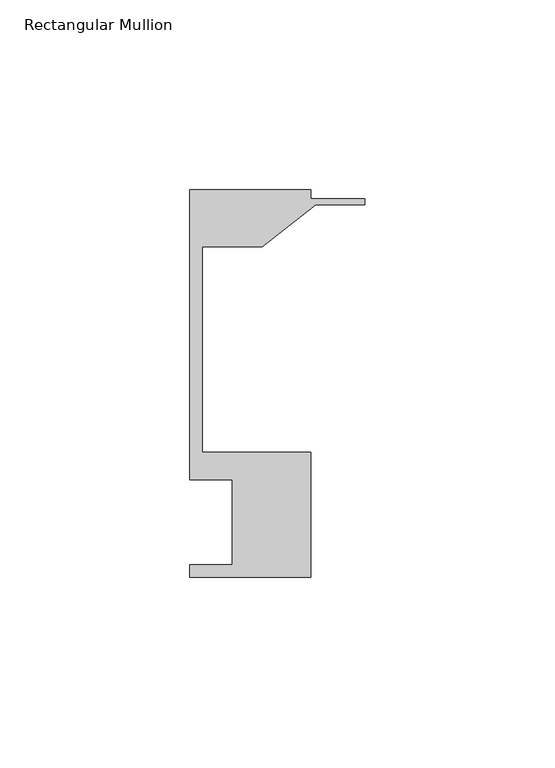
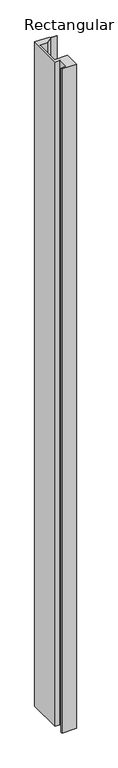
"""IFC4 building model written with IfcOpenShell, lengths in millimetres: member geometry, Rectangular Mullion."""

import ifcopenshell
import ifcopenshell.guid

model = None  # the IFC model being written
_history = None  # IfcOwnerHistory: only IFC2X3 demands one
_inside = {}  # id of a spatial element -> (the spatial element, [elements in it])
_under = {}  # id of a project, library or spatial element -> (it, [spatial elements below it])
_declared = {}  # id of a project -> (the project, [libraries it declares])
_typed = {}  # id of a type object -> (the type object, [elements of that type])
_made_of = {}  # id of a material, layer set ... -> (it, [elements and type objects made of it])


def new_model(schema):
    """Start an empty IFC model of exactly this schema.

    Asked for "IFC4X3", IfcOpenShell would pick the latest addendum, in which some entities
    have other attributes; the version numbers below select the first issue.
    IFC2X3 requires an IfcOwnerHistory on every rooted entity: one is made here for all.
    """
    global model, _history
    if schema == "IFC4X3":
        model = ifcopenshell.file(schema_version=(4, 3, 0, 0))
    else:
        model = ifcopenshell.file(schema=schema)
    _inside.clear()
    _under.clear()
    _declared.clear()
    _typed.clear()
    _made_of.clear()
    _history = None
    if model.schema == "IFC2X3":
        org = make("IfcOrganization", Name="unknown")
        user = make(
            "IfcPersonAndOrganization",
            ThePerson=make("IfcPerson", FamilyName="unknown"),
            TheOrganization=org,
        )
        app = make(
            "IfcApplication",
            ApplicationDeveloper=org,
            Version="unknown",
            ApplicationFullName="unknown",
            ApplicationIdentifier="unknown",
        )
        _history = make(
            "IfcOwnerHistory",
            OwningUser=user,
            OwningApplication=app,
            ChangeAction="ADDED",
            CreationDate=0,
        )
    return model


def make(cls, **values):
    """One entity of the class cls with the attributes given. An attribute that is None is left unset."""
    return model.create_entity(
        cls, **{name: value for name, value in values.items() if value is not None}
    )


def rooted(cls, **values):
    """An entity with a GlobalId (a new one), such as an element, a storey or a relation."""
    return make(cls, GlobalId=ifcopenshell.guid.new(), OwnerHistory=_history, **values)


def si_unit(unit_type, name, prefix=None):
    """IfcSIUnit, for example si_unit("LENGTHUNIT", "METRE", prefix="MILLI")."""
    return make("IfcSIUnit", UnitType=unit_type, Prefix=prefix, Name=name)


def assignment(units):
    """IfcUnitAssignment: the units of a project."""
    return None if units is None else make("IfcUnitAssignment", Units=units)


def point(xyz):
    """IfcCartesianPoint."""
    return None if xyz is None else make("IfcCartesianPoint", Coordinates=xyz)


def direction(xyz):
    """IfcDirection."""
    return None if xyz is None else make("IfcDirection", DirectionRatios=xyz)


def frame(location, z_axis=None, x_axis=None):
    """IfcAxis2Placement3D, a coordinate frame: its origin and axes. An axis left out is left unset."""
    return make(
        "IfcAxis2Placement3D",
        Location=point(location),
        Axis=direction(z_axis),
        RefDirection=direction(x_axis),
    )


def origin():
    """The frame at (0, 0, 0) with its axes left unset."""
    return frame((0.0, 0.0, 0.0))


def place(relative_to, where):
    """IfcLocalPlacement: puts the frame where relative to a parent placement (None: the world)."""
    return make(
        "IfcLocalPlacement", PlacementRelTo=relative_to, RelativePlacement=where
    )


def context(
    kind, dimensions, precision=None, world=None, true_north=None, identifier=None
):
    """IfcGeometricRepresentationContext, for example the 3D "Model" context."""
    return make(
        "IfcGeometricRepresentationContext",
        ContextIdentifier=identifier,
        ContextType=kind,
        CoordinateSpaceDimension=dimensions,
        Precision=precision,
        WorldCoordinateSystem=world,
        TrueNorth=true_north,
    )


def project(units=None, contexts=None):
    """IfcProject with its units and contexts."""
    return rooted(
        "IfcProject",
        Name="project",
        RepresentationContexts=contexts,
        UnitsInContext=assignment(units),
    )


def spatial(cls, under=None, at=None, **own):
    """A site, building, storey or space (cls), placed at a placement, below another one or the project."""
    s = rooted(cls, ObjectPlacement=at, **own)
    if under is not None:
        _under.setdefault(under.id(), (under, []))[1].append(s)
    return s


def polyline(points):
    """IfcPolyline through the points."""
    return make("IfcPolyline", Points=[point(p) for p in points])


def outline(outer, holes=None, kind="AREA"):
    """IfcArbitraryClosedProfileDef: a profile drawn as a closed curve; with holes, ...WithVoids."""
    if holes is None:
        return make("IfcArbitraryClosedProfileDef", ProfileType=kind, OuterCurve=outer)
    return make(
        "IfcArbitraryProfileDefWithVoids",
        ProfileType=kind,
        OuterCurve=outer,
        InnerCurves=holes,
    )


def extrude(swept, where, along, depth):
    """IfcExtrudedAreaSolid: the profile swept, set in the frame where, extruded along a direction by depth."""
    return make(
        "IfcExtrudedAreaSolid",
        SweptArea=swept,
        Position=where,
        ExtrudedDirection=direction(along),
        Depth=depth,
    )


def shape(context_of_items, identifier, shape_type, items):
    """IfcShapeRepresentation: the items that make up one representation, for example the "Body"."""
    return make(
        "IfcShapeRepresentation",
        ContextOfItems=context_of_items,
        RepresentationIdentifier=identifier,
        RepresentationType=shape_type,
        Items=items,
    )


def source(mapping_origin, context_of_items, identifier, shape_type, items):
    """IfcRepresentationMap: a shape defined once, which mapped items show again and again."""
    return make(
        "IfcRepresentationMap",
        MappingOrigin=mapping_origin,
        MappedRepresentation=shape(context_of_items, identifier, shape_type, items),
    )


def transform(
    local_origin,
    x_axis=None,
    y_axis=None,
    z_axis=None,
    scale=None,
    scale2=None,
    scale3=None,
    uniform=True,
):
    """IfcCartesianTransformationOperator3D, or its non-uniform kind. x_axis, y_axis, z_axis: its Axis1, 2, 3."""
    if uniform:
        return make(
            "IfcCartesianTransformationOperator3D",
            Axis1=direction(x_axis),
            Axis2=direction(y_axis),
            LocalOrigin=point(local_origin),
            Scale=scale,
            Axis3=direction(z_axis),
        )
    return make(
        "IfcCartesianTransformationOperator3DnonUniform",
        Axis1=direction(x_axis),
        Axis2=direction(y_axis),
        LocalOrigin=point(local_origin),
        Scale=scale,
        Axis3=direction(z_axis),
        Scale2=scale2,
        Scale3=scale3,
    )


def mapped(mapping_source, mapping_target):
    """IfcMappedItem: shows the shape of a source again, moved by a transform."""
    return make(
        "IfcMappedItem", MappingSource=mapping_source, MappingTarget=mapping_target
    )


def made_of(thing, what):
    """Note that an element or type object is made of a material, layer set ...; save() writes the relation."""
    if what is not None:
        _made_of.setdefault(what.id(), (what, []))[1].append(thing)
    return thing


def element(
    cls,
    number,
    at=None,
    inside=None,
    cuts=None,
    type_object=None,
    material=None,
    context=None,
    identifier="Body",
    shape_type=None,
    held_by="IfcProductDefinitionShape",
    body=None,
    shapes=None,
    **own,
):
    """One element of the class cls, such as IfcWall. Its Tag is "e" and its number.

    at: its placement. inside: the storey or other place that contains it. cuts: it is an
    opening in that element (IfcRelVoidsElement). A single representation is given by context,
    identifier, shape_type and body (its items); several are given by shapes. held_by: the class
    of the entity that holds the representations. save() writes the other relations.
    """
    e = rooted(cls, Tag="e%d" % number, ObjectPlacement=at, **own)
    if body is not None:
        shapes = [shape(context, identifier, shape_type, body)]
    if shapes is not None:
        e.Representation = make(held_by, Representations=shapes)
    if inside is not None:
        _inside.setdefault(inside.id(), (inside, []))[1].append(e)
    if cuts is not None:
        rooted(
            "IfcRelVoidsElement", RelatingBuildingElement=cuts, RelatedOpeningElement=e
        )
    if type_object is not None:
        _typed.setdefault(type_object.id(), (type_object, []))[1].append(e)
    return made_of(e, material)


def aggregate(whole, parts):
    """IfcRelAggregates: a whole, such as a stair, and the parts it consists of."""
    return rooted("IfcRelAggregates", RelatingObject=whole, RelatedObjects=parts)


def save(model, path):
    """Write the relations noted so far, then the file.

    IfcRelAggregates (storeys below a building ...), IfcRelContainedInSpatialStructure (elements
    in a storey), IfcRelDefinesByType, IfcRelAssociatesMaterial and IfcRelDeclares: one each for
    every whole, place, type object, material and project.
    """
    for whole, parts in _under.values():
        aggregate(whole, parts)
    for where, things in _inside.values():
        rooted(
            "IfcRelContainedInSpatialStructure",
            RelatedElements=things,
            RelatingStructure=where,
        )
    for kind, things in _typed.values():
        rooted("IfcRelDefinesByType", RelatedObjects=things, RelatingType=kind)
    for what, things in _made_of.values():
        rooted("IfcRelAssociatesMaterial", RelatedObjects=things, RelatingMaterial=what)
    for by, libraries in _declared.values():
        rooted("IfcRelDeclares", RelatingContext=by, RelatedDefinitions=libraries)
    model.write(path)


def rectangular_mullion_21c9f698(model_context):
    return source(origin(), model_context, "Body", "SweptSolid", [
        extrude(outline(polyline([(-46.0248, 12.6444375), (-46.0248, 15.8194375), (-34.9123, 15.8194375), (-34.9123, 38.2984375), (-46.0248, 38.2984375), (-46.0248, 114.4984375), (-14.2748, 114.4984375), (-14.2748, 112.2124375), (0.0, 112.2124375), (0.0, 110.6249375), (-12.9857923, 110.6249375), (-27.0068481, 99.5124375), (-42.8498, 99.5124375), (-42.8498, 45.4358375), (-14.2748, 45.4358375), (-14.2748, 12.6444375), (-46.0248, 12.6444375)])), frame((0.0, 0.0, -1524.0), z_axis=(0.0, 0.0, 1.0), x_axis=(1.0, 0.0, 0.0)), (0.0, 0.0, 1.0), 1524.0),
    ])


if __name__ == "__main__":
    model = new_model("IFC4")
    model_context = context("Model", 3, world=origin())
    ifc_project = project(units=[si_unit("LENGTHUNIT", "METRE", prefix="MILLI")], contexts=[model_context])
    site = spatial("IfcSite", under=ifc_project)
    building = spatial("IfcBuilding", under=site)
    placement = place(None, origin())
    rectangular_mullion_shape = rectangular_mullion_21c9f698(model_context)
    element("IfcMember", 1, ObjectType="Rectangular Mullion", at=placement, inside=building, context=model_context, shape_type="MappedRepresentation", body=[
        mapped(rectangular_mullion_shape, transform((0.0, 0.0, 0.0), x_axis=(1.0, 0.0, 0.0), y_axis=(0.0, 1.0, 0.0), z_axis=(0.0, 0.0, 1.0))),
    ])
    save(model, "model.ifc")
